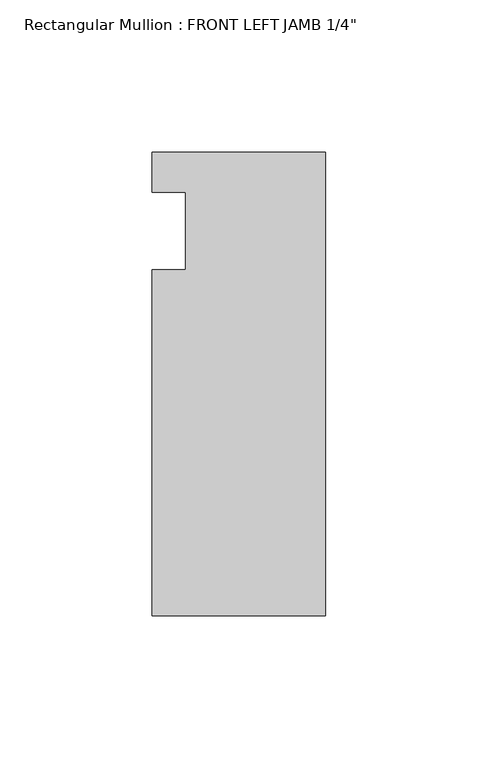
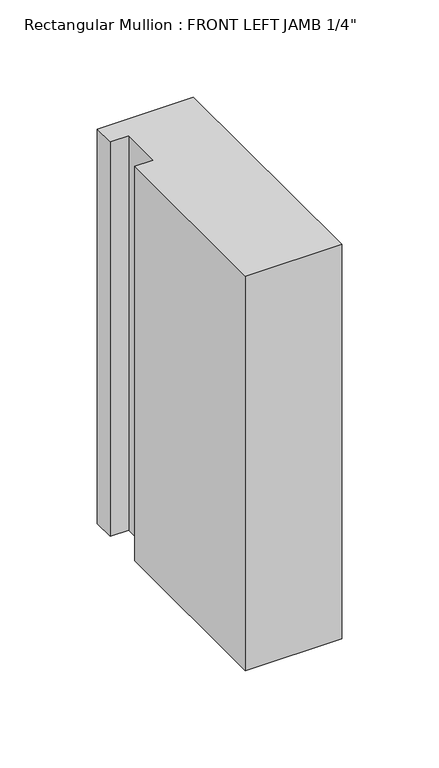
"""IFC4 building model written with IfcOpenShell, lengths in millimetres: member geometry."""

from ifc_helpers import new_model, si_unit, frame, origin, place, context, project, spatial, polyline, outline, extrude, source, transform, mapped, element, save


def member_32167738(model_context):
    return source(origin(), model_context, "Body", "SweptSolid", [
        extrude(outline(polyline([(-57.15, 32.2460937), (0.0, 32.2460938), (0.0, -120.1539062), (-57.15, -120.1539063), (-57.15, -6.3492063), (-46.0375, -6.3492063), (-46.0375, 19.0507937), (-57.15, 19.0507937), (-57.15, 32.2460937)])), frame((0.0, 0.0, -247.65), z_axis=(0.0, 0.0, 1.0), x_axis=(1.0, 0.0, 0.0)), (0.0, 0.0, 1.0), 247.65),
    ])


if __name__ == "__main__":
    model = new_model("IFC4")
    model_context = context("Model", 3, world=origin())
    ifc_project = project(units=[si_unit("LENGTHUNIT", "METRE", prefix="MILLI")], contexts=[model_context])
    site = spatial("IfcSite", under=ifc_project)
    building = spatial("IfcBuilding", under=site)
    placement = place(None, origin())
    member_shape = member_32167738(model_context)
    element("IfcMember", 1, ObjectType="Rectangular Mullion : FRONT LEFT JAMB 1/4\"", at=placement, inside=building, context=model_context, shape_type="MappedRepresentation", body=[
        mapped(member_shape, transform((0.0, 0.0, 0.0), x_axis=(1.0, 0.0, 0.0), y_axis=(0.0, 1.0, 0.0), z_axis=(0.0, 0.0, 1.0))),
    ])
    save(model, "model.ifc")
